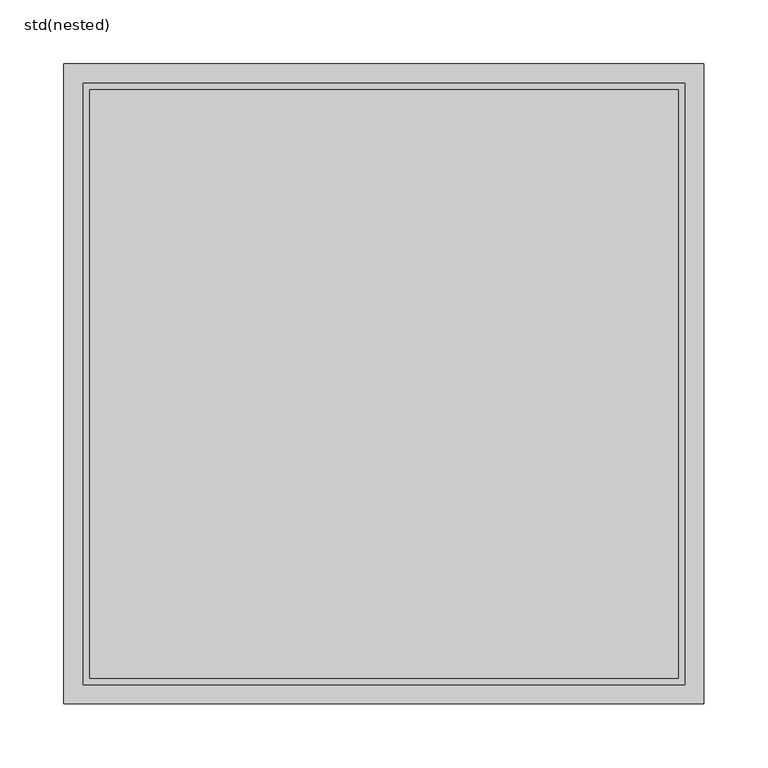
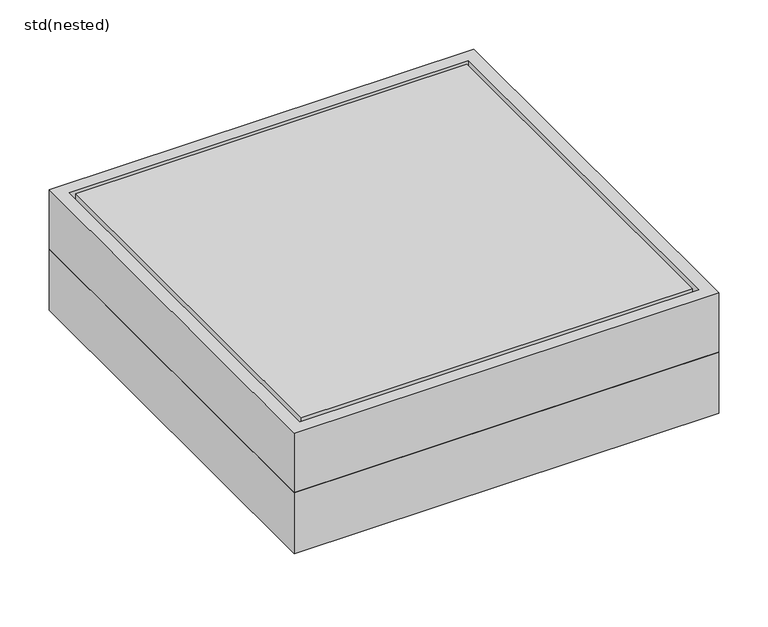
"""IFC4 building model written with IfcOpenShell, lengths in millimetres: sanitary terminal geometry, std(nested)."""

import ifcopenshell
import ifcopenshell.guid

model = None  # the IFC model being written
_history = None  # IfcOwnerHistory: only IFC2X3 demands one
_inside = {}  # id of a spatial element -> (the spatial element, [elements in it])
_under = {}  # id of a project, library or spatial element -> (it, [spatial elements below it])
_declared = {}  # id of a project -> (the project, [libraries it declares])
_typed = {}  # id of a type object -> (the type object, [elements of that type])
_made_of = {}  # id of a material, layer set ... -> (it, [elements and type objects made of it])


def new_model(schema):
    """Start an empty IFC model of exactly this schema.

    Asked for "IFC4X3", IfcOpenShell would pick the latest addendum, in which some entities
    have other attributes; the version numbers below select the first issue.
    IFC2X3 requires an IfcOwnerHistory on every rooted entity: one is made here for all.
    """
    global model, _history
    if schema == "IFC4X3":
        model = ifcopenshell.file(schema_version=(4, 3, 0, 0))
    else:
        model = ifcopenshell.file(schema=schema)
    _inside.clear()
    _under.clear()
    _declared.clear()
    _typed.clear()
    _made_of.clear()
    _history = None
    if model.schema == "IFC2X3":
        org = make("IfcOrganization", Name="unknown")
        user = make(
            "IfcPersonAndOrganization",
            ThePerson=make("IfcPerson", FamilyName="unknown"),
            TheOrganization=org,
        )
        app = make(
            "IfcApplication",
            ApplicationDeveloper=org,
            Version="unknown",
            ApplicationFullName="unknown",
            ApplicationIdentifier="unknown",
        )
        _history = make(
            "IfcOwnerHistory",
            OwningUser=user,
            OwningApplication=app,
            ChangeAction="ADDED",
            CreationDate=0,
        )
    return model


def make(cls, **values):
    """One entity of the class cls with the attributes given. An attribute that is None is left unset."""
    return model.create_entity(
        cls, **{name: value for name, value in values.items() if value is not None}
    )


def rooted(cls, **values):
    """An entity with a GlobalId (a new one), such as an element, a storey or a relation."""
    return make(cls, GlobalId=ifcopenshell.guid.new(), OwnerHistory=_history, **values)


def si_unit(unit_type, name, prefix=None):
    """IfcSIUnit, for example si_unit("LENGTHUNIT", "METRE", prefix="MILLI")."""
    return make("IfcSIUnit", UnitType=unit_type, Prefix=prefix, Name=name)


def assignment(units):
    """IfcUnitAssignment: the units of a project."""
    return None if units is None else make("IfcUnitAssignment", Units=units)


def point(xyz):
    """IfcCartesianPoint."""
    return None if xyz is None else make("IfcCartesianPoint", Coordinates=xyz)


def direction(xyz):
    """IfcDirection."""
    return None if xyz is None else make("IfcDirection", DirectionRatios=xyz)


def frame(location, z_axis=None, x_axis=None):
    """IfcAxis2Placement3D, a coordinate frame: its origin and axes. An axis left out is left unset."""
    return make(
        "IfcAxis2Placement3D",
        Location=point(location),
        Axis=direction(z_axis),
        RefDirection=direction(x_axis),
    )


def frame_2d(location, x_axis=None):
    """IfcAxis2Placement2D, a coordinate frame in the plane: its origin and x axis."""
    return make(
        "IfcAxis2Placement2D", Location=point(location), RefDirection=direction(x_axis)
    )


def origin():
    """The frame at (0, 0, 0) with its axes left unset."""
    return frame((0.0, 0.0, 0.0))


def origin_2d():
    """The frame at (0, 0) in the plane with its x axis left unset."""
    return frame_2d((0.0, 0.0))


def place(relative_to, where):
    """IfcLocalPlacement: puts the frame where relative to a parent placement (None: the world)."""
    return make(
        "IfcLocalPlacement", PlacementRelTo=relative_to, RelativePlacement=where
    )


def context(
    kind, dimensions, precision=None, world=None, true_north=None, identifier=None
):
    """IfcGeometricRepresentationContext, for example the 3D "Model" context."""
    return make(
        "IfcGeometricRepresentationContext",
        ContextIdentifier=identifier,
        ContextType=kind,
        CoordinateSpaceDimension=dimensions,
        Precision=precision,
        WorldCoordinateSystem=world,
        TrueNorth=true_north,
    )


def project(units=None, contexts=None):
    """IfcProject with its units and contexts."""
    return rooted(
        "IfcProject",
        Name="project",
        RepresentationContexts=contexts,
        UnitsInContext=assignment(units),
    )


def spatial(cls, under=None, at=None, **own):
    """A site, building, storey or space (cls), placed at a placement, below another one or the project."""
    s = rooted(cls, ObjectPlacement=at, **own)
    if under is not None:
        _under.setdefault(under.id(), (under, []))[1].append(s)
    return s


def polyline(points):
    """IfcPolyline through the points."""
    return make("IfcPolyline", Points=[point(p) for p in points])


def circle_curve(where, radius):
    """IfcCircle in the frame where."""
    return make("IfcCircle", Position=where, Radius=radius)


def trimmed(basis, trim1, trim2, sense, master):
    """IfcTrimmedCurve: the piece of a basis curve between two trims."""
    return make(
        "IfcTrimmedCurve",
        BasisCurve=basis,
        Trim1=trim1,
        Trim2=trim2,
        SenseAgreement=sense,
        MasterRepresentation=master,
    )


def segment(curve, same_sense, transition):
    """IfcCompositeCurveSegment."""
    return make(
        "IfcCompositeCurveSegment",
        Transition=transition,
        SameSense=same_sense,
        ParentCurve=curve,
    )


def composite_curve(segments, self_intersect=None):
    """IfcCompositeCurve: segments joined end to end."""
    return make("IfcCompositeCurve", Segments=segments, SelfIntersect=self_intersect)


def outline(outer, holes=None, kind="AREA"):
    """IfcArbitraryClosedProfileDef: a profile drawn as a closed curve; with holes, ...WithVoids."""
    if holes is None:
        return make("IfcArbitraryClosedProfileDef", ProfileType=kind, OuterCurve=outer)
    return make(
        "IfcArbitraryProfileDefWithVoids",
        ProfileType=kind,
        OuterCurve=outer,
        InnerCurves=holes,
    )


def extrude(swept, where, along, depth):
    """IfcExtrudedAreaSolid: the profile swept, set in the frame where, extruded along a direction by depth."""
    return make(
        "IfcExtrudedAreaSolid",
        SweptArea=swept,
        Position=where,
        ExtrudedDirection=direction(along),
        Depth=depth,
    )


def shape(context_of_items, identifier, shape_type, items):
    """IfcShapeRepresentation: the items that make up one representation, for example the "Body"."""
    return make(
        "IfcShapeRepresentation",
        ContextOfItems=context_of_items,
        RepresentationIdentifier=identifier,
        RepresentationType=shape_type,
        Items=items,
    )


def source(mapping_origin, context_of_items, identifier, shape_type, items):
    """IfcRepresentationMap: a shape defined once, which mapped items show again and again."""
    return make(
        "IfcRepresentationMap",
        MappingOrigin=mapping_origin,
        MappedRepresentation=shape(context_of_items, identifier, shape_type, items),
    )


def transform(
    local_origin,
    x_axis=None,
    y_axis=None,
    z_axis=None,
    scale=None,
    scale2=None,
    scale3=None,
    uniform=True,
):
    """IfcCartesianTransformationOperator3D, or its non-uniform kind. x_axis, y_axis, z_axis: its Axis1, 2, 3."""
    if uniform:
        return make(
            "IfcCartesianTransformationOperator3D",
            Axis1=direction(x_axis),
            Axis2=direction(y_axis),
            LocalOrigin=point(local_origin),
            Scale=scale,
            Axis3=direction(z_axis),
        )
    return make(
        "IfcCartesianTransformationOperator3DnonUniform",
        Axis1=direction(x_axis),
        Axis2=direction(y_axis),
        LocalOrigin=point(local_origin),
        Scale=scale,
        Axis3=direction(z_axis),
        Scale2=scale2,
        Scale3=scale3,
    )


def mapped(mapping_source, mapping_target):
    """IfcMappedItem: shows the shape of a source again, moved by a transform."""
    return make(
        "IfcMappedItem", MappingSource=mapping_source, MappingTarget=mapping_target
    )


def made_of(thing, what):
    """Note that an element or type object is made of a material, layer set ...; save() writes the relation."""
    if what is not None:
        _made_of.setdefault(what.id(), (what, []))[1].append(thing)
    return thing


def element(
    cls,
    number,
    at=None,
    inside=None,
    cuts=None,
    type_object=None,
    material=None,
    context=None,
    identifier="Body",
    shape_type=None,
    held_by="IfcProductDefinitionShape",
    body=None,
    shapes=None,
    **own,
):
    """One element of the class cls, such as IfcWall. Its Tag is "e" and its number.

    at: its placement. inside: the storey or other place that contains it. cuts: it is an
    opening in that element (IfcRelVoidsElement). A single representation is given by context,
    identifier, shape_type and body (its items); several are given by shapes. held_by: the class
    of the entity that holds the representations. save() writes the other relations.
    """
    e = rooted(cls, Tag="e%d" % number, ObjectPlacement=at, **own)
    if body is not None:
        shapes = [shape(context, identifier, shape_type, body)]
    if shapes is not None:
        e.Representation = make(held_by, Representations=shapes)
    if inside is not None:
        _inside.setdefault(inside.id(), (inside, []))[1].append(e)
    if cuts is not None:
        rooted(
            "IfcRelVoidsElement", RelatingBuildingElement=cuts, RelatedOpeningElement=e
        )
    if type_object is not None:
        _typed.setdefault(type_object.id(), (type_object, []))[1].append(e)
    return made_of(e, material)


def aggregate(whole, parts):
    """IfcRelAggregates: a whole, such as a stair, and the parts it consists of."""
    return rooted("IfcRelAggregates", RelatingObject=whole, RelatedObjects=parts)


def save(model, path):
    """Write the relations noted so far, then the file.

    IfcRelAggregates (storeys below a building ...), IfcRelContainedInSpatialStructure (elements
    in a storey), IfcRelDefinesByType, IfcRelAssociatesMaterial and IfcRelDeclares: one each for
    every whole, place, type object, material and project.
    """
    for whole, parts in _under.values():
        aggregate(whole, parts)
    for where, things in _inside.values():
        rooted(
            "IfcRelContainedInSpatialStructure",
            RelatedElements=things,
            RelatingStructure=where,
        )
    for kind, things in _typed.values():
        rooted("IfcRelDefinesByType", RelatedObjects=things, RelatingType=kind)
    for what, things in _made_of.values():
        rooted("IfcRelAssociatesMaterial", RelatedObjects=things, RelatingMaterial=what)
    for by, libraries in _declared.values():
        rooted("IfcRelDeclares", RelatingContext=by, RelatedDefinitions=libraries)
    model.write(path)


def plane_surface(at):
    """IfcPlane: the flat surface through the origin of the frame at, square to its z axis."""
    return make("IfcPlane", Position=at)


def cylinder_surface(at, radius):
    """IfcCylindricalSurface: all points at the distance radius from the z axis of the frame at."""
    return make("IfcCylindricalSurface", Position=at, Radius=radius)


def revolved_surface(curve, axis_point, axis_direction):
    """IfcSurfaceOfRevolution: the curve turned about the line through axis_point along axis_direction."""
    return make(
        "IfcSurfaceOfRevolution",
        SweptCurve=make("IfcArbitraryOpenProfileDef", ProfileType="CURVE", Curve=curve),
        AxisPosition=make("IfcAxis1Placement", Location=point(axis_point), Axis=direction(axis_direction)),
    )


def advanced_brep(points, edges, surfaces, faces):
    """IfcAdvancedBrep: a solid bounded by faces that lie on surfaces and meet in shared edges.

    An edge is (start, end): straight between two places in points (the first is 0);
    or (start, end, curve); or (start, end, curve, False) where it runs against its curve.
    A face is (place in surfaces, loops), or (place, loops, False) where it looks against
    its surface's normal. A loop lists edges by number (the first is 1), with a minus sign
    where the edge is run from its end to its start. The first loop is the outer one.
    """
    corners = [point(p) for p in points]
    vertices = [make("IfcVertexPoint", VertexGeometry=c) for c in corners]
    made = []
    for start, end, *more in edges:
        made.append(
            make(
                "IfcEdgeCurve",
                EdgeStart=vertices[start],
                EdgeEnd=vertices[end],
                EdgeGeometry=more[0] if more else make("IfcPolyline", Points=[corners[start], corners[end]]),
                SameSense=more[1] if len(more) > 1 else True,
            )
        )
    hull = []
    for where, loops, *sense in faces:
        bounds = []
        for j, loop in enumerate(loops):
            ring = [make("IfcOrientedEdge", EdgeElement=made[abs(k) - 1], Orientation=k > 0) for k in loop]
            bounds.append(
                make(
                    "IfcFaceOuterBound" if j == 0 else "IfcFaceBound",
                    Bound=make("IfcEdgeLoop", EdgeList=ring),
                    Orientation=True,
                )
            )
        hull.append(make("IfcAdvancedFace", Bounds=bounds, FaceSurface=surfaces[where], SameSense=sense[0] if sense else True))
    return make("IfcAdvancedBrep", Outer=make("IfcClosedShell", CfsFaces=hull))


def std_nested_42bc1c03(model_context):
    return source(origin(), model_context, "Body", "SolidModel", [
        extrude(outline(polyline([(-250.0, 250.0), (250.0, 250.0), (250.0, -250.0), (-250.0, -250.0), (-250.0, 250.0)]), holes=[composite_curve([segment(trimmed(circle_curve(origin_2d(), 184.0), [point((184.0, 0.0))], [point((-184.0, 0.0))], True, "CARTESIAN"), True, "CONTINUOUS"), segment(trimmed(circle_curve(origin_2d(), 184.0), [point((-184.0, 0.0))], [point((184.0, 0.0))], True, "CARTESIAN"), True, "CONTINUOUS")], self_intersect=False)]), frame((0.0, 0.0, -150.0), z_axis=(0.0, 0.0, 1.0), x_axis=(1.0, 0.0, 0.0)), (0.0, 0.0, 1.0), 76.0),
        advanced_brep(
        [(184.0, 0.0, -180.0), (-184.0, 0.0, -180.0), (175.5, 0.0, -180.0), (-175.5, 0.0, -180.0), (-175.5, 0.0, -150.0), (175.5, 0.0, -150.0), (-184.0, 0.0, -150.0), (184.0, 0.0, -150.0), (184.0, 0.0, -74.0), (-184.0, 0.0, -74.0), (175.5, 0.0, -74.0), (-175.5, 0.0, -74.0)],
        [
            (0, 1, circle_curve(frame((0.0, 0.0, -180.0), z_axis=(0.0, 0.0, -1.0), x_axis=(-1.0, 0.0, 0.0)), 184.0)),
            (1, 0, circle_curve(frame((0.0, 0.0, -180.0), z_axis=(0.0, 0.0, -1.0), x_axis=(-1.0, 0.0, 0.0)), 184.0)),
            (2, 3, circle_curve(frame((0.0, 0.0, -180.0), z_axis=(0.0, 0.0, 1.0), x_axis=(-1.0, 0.0, 0.0)), 175.5)),
            (3, 2, circle_curve(frame((0.0, 0.0, -180.0), z_axis=(0.0, 0.0, 1.0), x_axis=(-1.0, 0.0, 0.0)), 175.5)),
            (3, 4),
            (4, 5, circle_curve(frame((0.0, 0.0, -150.0), z_axis=(0.0, 0.0, 1.0), x_axis=(-1.0, 0.0, 0.0)), 175.5)),
            (5, 2),
            (5, 4, circle_curve(frame((0.0, 0.0, -150.0), z_axis=(0.0, 0.0, 1.0), x_axis=(-1.0, 0.0, 0.0)), 175.5)),
            (1, 6),
            (6, 7, circle_curve(frame((0.0, 0.0, -150.0), z_axis=(0.0, 0.0, -1.0), x_axis=(-1.0, 0.0, 0.0)), 184.0)),
            (7, 0),
            (7, 6, circle_curve(frame((0.0, 0.0, -150.0), z_axis=(0.0, 0.0, -1.0), x_axis=(-1.0, 0.0, 0.0)), 184.0)),
            (8, 9, circle_curve(frame((0.0, 0.0, -74.0), z_axis=(0.0, 0.0, 1.0), x_axis=(-1.0, 0.0, 0.0)), 184.0)),
            (9, 8, circle_curve(frame((0.0, 0.0, -74.0), z_axis=(0.0, 0.0, 1.0), x_axis=(-1.0, 0.0, 0.0)), 184.0)),
            (10, 11, circle_curve(frame((0.0, 0.0, -74.0), z_axis=(0.0, 0.0, -1.0), x_axis=(-1.0, 0.0, 0.0)), 175.5)),
            (11, 10, circle_curve(frame((0.0, 0.0, -74.0), z_axis=(0.0, 0.0, -1.0), x_axis=(-1.0, 0.0, 0.0)), 175.5)),
            (10, 5),
            (4, 11),
            (8, 7),
            (6, 9),
        ],
        [
            plane_surface(frame((-175.5, 0.0, -180.0), z_axis=(0.0, 0.0, -1.0), x_axis=(0.0, -1.0, 0.0))),
            revolved_surface(polyline([(-175.5, 0.0, -180.0), (-175.5, 0.0, -150.0)]), (0.0, 0.0, -180.0), (0.0, 0.0, -1.0)),
            cylinder_surface(frame((0.0, 0.0, -150.0), z_axis=(0.0, 0.0, 1.0), x_axis=(-1.0, 0.0, 0.0)), 184.0),
            plane_surface(frame((-175.5, 0.0, -74.0), z_axis=(0.0, 0.0, 1.0), x_axis=(0.0, 1.0, 0.0))),
            revolved_surface(polyline([(-175.5, 0.0, -150.0), (-175.5, 0.0, -74.0)]), (0.0, 0.0, -150.0), (0.0, 0.0, -1.0)),
        ],
        [
            (0, [[1, 2], [3, 4]]),
            (1, [[-4, 5, 6, 7]]),
            (1, [[-3, -7, 8, -5]]),
            (2, [[-2, 9, 10, 11]]),
            (2, [[-1, -11, 12, -9]]),
            (3, [[13, 14], [15, 16]]),
            (4, [[-15, 17, -6, 18]]),
            (4, [[-16, -18, -8, -17]]),
            (2, [[-13, 19, -10, 20]]),
            (2, [[-14, -20, -12, -19]]),
        ],
    ),
        extrude(outline(polyline([(250.0, 250.0), (250.0, -250.0), (-250.0, -250.0), (-250.0, 250.0), (250.0, 250.0)]), holes=[polyline([(235.0, 235.0), (-235.0, 235.0), (-235.0, -235.0), (235.0, -235.0), (235.0, 235.0)])]), frame((0.0, 0.0, -75.0), z_axis=(0.0, 0.0, 1.0), x_axis=(1.0, 0.0, 0.0)), (0.0, 0.0, 1.0), 75.0),
        extrude(outline(polyline([(230.0, 230.0), (230.0, -230.0), (-230.0, -230.0), (-230.0, 230.0), (230.0, 230.0)])), frame((0.0, 0.0, -75.0), z_axis=(0.0, 0.0, 1.0), x_axis=(1.0, 0.0, 0.0)), (0.0, 0.0, 1.0), 75.0),
    ])


if __name__ == "__main__":
    model = new_model("IFC4")
    model_context = context("Model", 3, world=origin())
    ifc_project = project(units=[si_unit("LENGTHUNIT", "METRE", prefix="MILLI")], contexts=[model_context])
    site = spatial("IfcSite", under=ifc_project)
    building = spatial("IfcBuilding", under=site)
    placement = place(None, origin())
    std_nested_shape = std_nested_42bc1c03(model_context)
    element("IfcSanitaryTerminal", 1, ObjectType="std(nested)", at=placement, inside=building, context=model_context, shape_type="MappedRepresentation", body=[
        mapped(std_nested_shape, transform((0.0, 0.0, 0.0), x_axis=(1.0, 0.0, 0.0), y_axis=(0.0, 1.0, 0.0), z_axis=(0.0, 0.0, 1.0))),
    ])
    save(model, "model.ifc")
